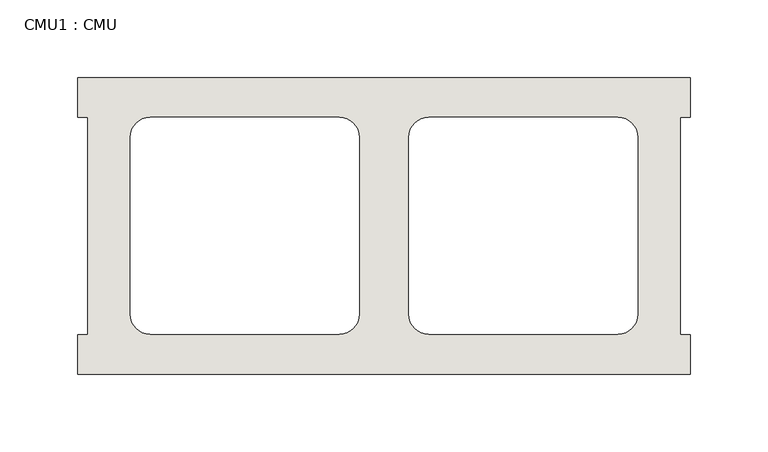
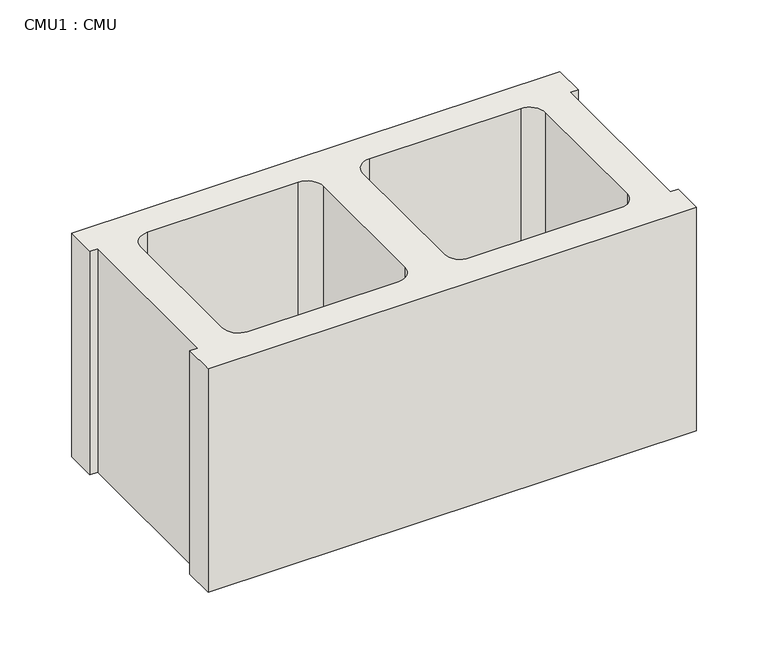
"""IFC4 building model written with IfcOpenShell, lengths in millimetres: wall geometry, CMU1 : CMU."""

from ifc_helpers import new_model, si_unit, point, frame, frame_2d, origin, place, context, project, spatial, polyline, circle_curve, trimmed, segment, composite_curve, outline, extrude, source, transform, mapped, element, save


def cmu1_cmu_f3f9f6ef(model_context):
    return source(origin(), model_context, "Body", "SweptSolid", [
        extrude(outline(polyline([(1271.4602062, 2484.2276522), (1665.1602062, 2484.2276522), (1665.1602062, 2458.8276522), (1658.8102062, 2458.8276522), (1658.8102062, 2319.1276522), (1665.1602062, 2319.1276522), (1665.1602062, 2293.7276522), (1271.4602062, 2293.7276522), (1271.4602062, 2319.1276522), (1277.8102062, 2319.1276522), (1277.8102062, 2458.8276522), (1271.4602062, 2458.8276522), (1271.4602062, 2484.2276522)]), holes=[composite_curve([segment(polyline([(1439.6282049, 2458.8276522), (1317.9115548, 2458.8276522)]), True, "CONTINUOUS"), segment(trimmed(circle_curve(frame_2d((1317.9115548, 2446.1276522)), 12.7), [point((1317.9115548, 2458.8276522))], [point((1305.2115548, 2446.1276522))], True, "CARTESIAN"), True, "CONTINUOUS"), segment(polyline([(1305.2115548, 2446.1276522), (1305.2115548, 2332.0618125)]), True, "CONTINUOUS"), segment(trimmed(circle_curve(frame_2d((1317.9115548, 2332.0618125)), 12.7), [point((1305.2115548, 2332.0618125))], [point((1317.9115548, 2319.3618125))], True, "CARTESIAN"), True, "CONTINUOUS"), segment(polyline([(1317.9115548, 2319.3618125), (1439.6282049, 2319.3618125)]), True, "CONTINUOUS"), segment(trimmed(circle_curve(frame_2d((1439.6282049, 2332.0618125)), 12.7), [point((1439.6282049, 2319.3618125))], [point((1452.3282049, 2332.0618125))], True, "CARTESIAN"), True, "CONTINUOUS"), segment(polyline([(1452.3282049, 2332.0618125), (1452.3282049, 2446.1276522)]), True, "CONTINUOUS"), segment(trimmed(circle_curve(frame_2d((1439.6282049, 2446.1276522)), 12.7), [point((1452.3282049, 2446.1276522))], [point((1439.6282049, 2458.8276522))], True, "CARTESIAN"), True, "CONTINUOUS")], self_intersect=False), composite_curve([segment(trimmed(circle_curve(frame_2d((1496.9922075, 2446.1276522)), 12.7), [point((1496.9922075, 2458.8276522))], [point((1484.2922075, 2446.1276522))], True, "CARTESIAN"), True, "CONTINUOUS"), segment(polyline([(1484.2922075, 2446.1276522), (1484.2922075, 2332.0618125)]), True, "CONTINUOUS"), segment(trimmed(circle_curve(frame_2d((1496.9922075, 2332.0618125)), 12.7), [point((1484.2922075, 2332.0618125))], [point((1496.9922075, 2319.3618125))], True, "CARTESIAN"), True, "CONTINUOUS"), segment(polyline([(1496.9922075, 2319.3618125), (1618.7088576, 2319.3618125)]), True, "CONTINUOUS"), segment(trimmed(circle_curve(frame_2d((1618.7088576, 2332.0618125)), 12.7), [point((1618.7088576, 2319.3618125))], [point((1631.4088576, 2332.0618125))], True, "CARTESIAN"), True, "CONTINUOUS"), segment(polyline([(1631.4088576, 2332.0618125), (1631.4088576, 2446.1276522)]), True, "CONTINUOUS"), segment(trimmed(circle_curve(frame_2d((1618.7088576, 2446.1276522)), 12.7), [point((1631.4088576, 2446.1276522))], [point((1618.7088576, 2458.8276522))], True, "CARTESIAN"), True, "CONTINUOUS"), segment(polyline([(1618.7088576, 2458.8276522), (1496.9922075, 2458.8276522)]), True, "CONTINUOUS")], self_intersect=False)]), frame((0.0, 0.0, 317.5), z_axis=(0.0, 0.0, 1.0), x_axis=(1.0, 0.0, 0.0)), (0.0, 0.0, 1.0), 190.5),
    ])


if __name__ == "__main__":
    model = new_model("IFC4")
    model_context = context("Model", 3, world=origin())
    ifc_project = project(units=[si_unit("LENGTHUNIT", "METRE", prefix="MILLI")], contexts=[model_context])
    site = spatial("IfcSite", under=ifc_project)
    building = spatial("IfcBuilding", under=site)
    placement = place(None, origin())
    cmu1_cmu_shape = cmu1_cmu_f3f9f6ef(model_context)
    element("IfcWall", 1, ObjectType="CMU1 : CMU", at=placement, inside=building, context=model_context, shape_type="MappedRepresentation", body=[
        mapped(cmu1_cmu_shape, transform((0.0, 0.0, 0.0), x_axis=(1.0, 0.0, 0.0), y_axis=(0.0, 1.0, 0.0), z_axis=(0.0, 0.0, 1.0))),
    ])
    save(model, "model.ifc")
